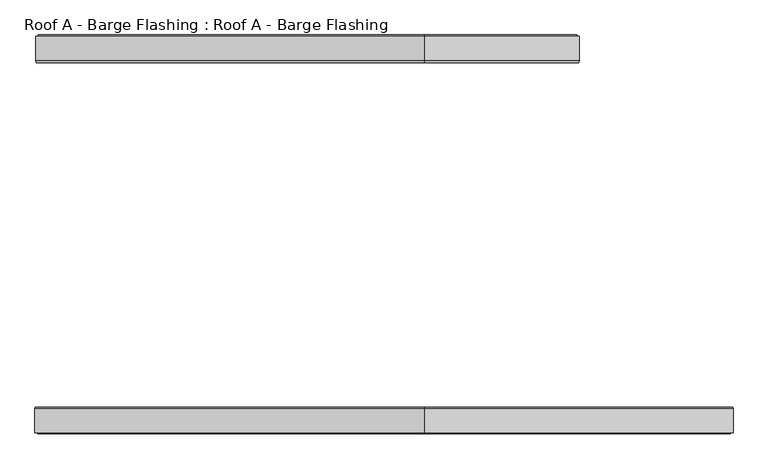
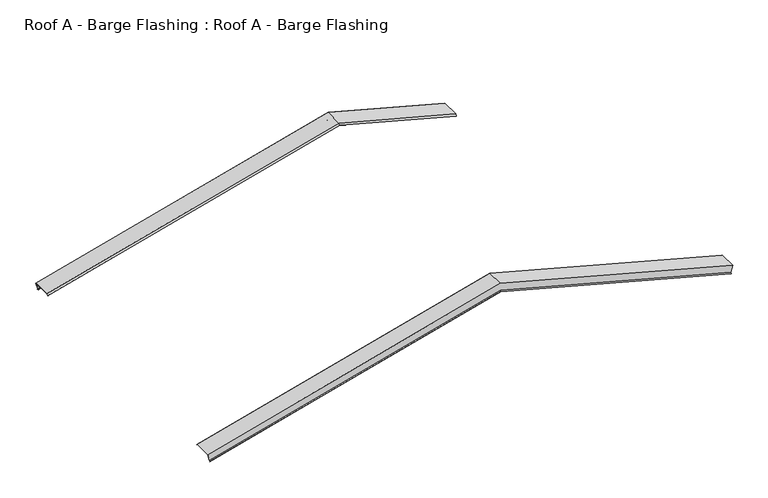
"""IFC4 building model written with IfcOpenShell, lengths in millimetres: proxy geometry, Roof A - Barge Flashing : Roof A - Barge Flashing."""

import ifcopenshell
import ifcopenshell.guid

model = None  # the IFC model being written
_history = None  # IfcOwnerHistory: only IFC2X3 demands one
_inside = {}  # id of a spatial element -> (the spatial element, [elements in it])
_under = {}  # id of a project, library or spatial element -> (it, [spatial elements below it])
_declared = {}  # id of a project -> (the project, [libraries it declares])
_typed = {}  # id of a type object -> (the type object, [elements of that type])
_made_of = {}  # id of a material, layer set ... -> (it, [elements and type objects made of it])


def new_model(schema):
    """Start an empty IFC model of exactly this schema.

    Asked for "IFC4X3", IfcOpenShell would pick the latest addendum, in which some entities
    have other attributes; the version numbers below select the first issue.
    IFC2X3 requires an IfcOwnerHistory on every rooted entity: one is made here for all.
    """
    global model, _history
    if schema == "IFC4X3":
        model = ifcopenshell.file(schema_version=(4, 3, 0, 0))
    else:
        model = ifcopenshell.file(schema=schema)
    _inside.clear()
    _under.clear()
    _declared.clear()
    _typed.clear()
    _made_of.clear()
    _history = None
    if model.schema == "IFC2X3":
        org = make("IfcOrganization", Name="unknown")
        user = make(
            "IfcPersonAndOrganization",
            ThePerson=make("IfcPerson", FamilyName="unknown"),
            TheOrganization=org,
        )
        app = make(
            "IfcApplication",
            ApplicationDeveloper=org,
            Version="unknown",
            ApplicationFullName="unknown",
            ApplicationIdentifier="unknown",
        )
        _history = make(
            "IfcOwnerHistory",
            OwningUser=user,
            OwningApplication=app,
            ChangeAction="ADDED",
            CreationDate=0,
        )
    return model


def make(cls, **values):
    """One entity of the class cls with the attributes given. An attribute that is None is left unset."""
    return model.create_entity(
        cls, **{name: value for name, value in values.items() if value is not None}
    )


def rooted(cls, **values):
    """An entity with a GlobalId (a new one), such as an element, a storey or a relation."""
    return make(cls, GlobalId=ifcopenshell.guid.new(), OwnerHistory=_history, **values)


def si_unit(unit_type, name, prefix=None):
    """IfcSIUnit, for example si_unit("LENGTHUNIT", "METRE", prefix="MILLI")."""
    return make("IfcSIUnit", UnitType=unit_type, Prefix=prefix, Name=name)


def assignment(units):
    """IfcUnitAssignment: the units of a project."""
    return None if units is None else make("IfcUnitAssignment", Units=units)


def point(xyz):
    """IfcCartesianPoint."""
    return None if xyz is None else make("IfcCartesianPoint", Coordinates=xyz)


def direction(xyz):
    """IfcDirection."""
    return None if xyz is None else make("IfcDirection", DirectionRatios=xyz)


def frame(location, z_axis=None, x_axis=None):
    """IfcAxis2Placement3D, a coordinate frame: its origin and axes. An axis left out is left unset."""
    return make(
        "IfcAxis2Placement3D",
        Location=point(location),
        Axis=direction(z_axis),
        RefDirection=direction(x_axis),
    )


def origin():
    """The frame at (0, 0, 0) with its axes left unset."""
    return frame((0.0, 0.0, 0.0))


def place(relative_to, where):
    """IfcLocalPlacement: puts the frame where relative to a parent placement (None: the world)."""
    return make(
        "IfcLocalPlacement", PlacementRelTo=relative_to, RelativePlacement=where
    )


def context(
    kind, dimensions, precision=None, world=None, true_north=None, identifier=None
):
    """IfcGeometricRepresentationContext, for example the 3D "Model" context."""
    return make(
        "IfcGeometricRepresentationContext",
        ContextIdentifier=identifier,
        ContextType=kind,
        CoordinateSpaceDimension=dimensions,
        Precision=precision,
        WorldCoordinateSystem=world,
        TrueNorth=true_north,
    )


def project(units=None, contexts=None):
    """IfcProject with its units and contexts."""
    return rooted(
        "IfcProject",
        Name="project",
        RepresentationContexts=contexts,
        UnitsInContext=assignment(units),
    )


def spatial(cls, under=None, at=None, **own):
    """A site, building, storey or space (cls), placed at a placement, below another one or the project."""
    s = rooted(cls, ObjectPlacement=at, **own)
    if under is not None:
        _under.setdefault(under.id(), (under, []))[1].append(s)
    return s


def faces_of(points, faces, orient=None, outer=None):
    """IfcFace entities. A face is a list of loops; a loop is a list of indices into points, from 0.

    orient and outer hold one flag for each loop. By default every Orientation is true, the
    first loop of a face is its IfcFaceOuterBound and the others are IfcFaceBound.
    """
    made = []
    for i, loops in enumerate(faces):
        bounds = []
        for j, loop in enumerate(loops):
            is_outer = j == 0 if outer is None else outer[i][j]
            bounds.append(
                make(
                    "IfcFaceOuterBound" if is_outer else "IfcFaceBound",
                    Bound=make("IfcPolyLoop", Polygon=[points[k] for k in loop]),
                    Orientation=True if orient is None else orient[i][j],
                )
            )
        made.append(make("IfcFace", Bounds=bounds))
    return made


def faceted_brep(points, faces, orient=None, outer=None, voids=None):
    """IfcFacetedBrep: a solid bounded by flat faces; with voids (closed shells), ...WithVoids."""
    shared = [point(p) for p in points]
    hull = make("IfcClosedShell", CfsFaces=faces_of(shared, faces, orient, outer))
    if voids is None:
        return make("IfcFacetedBrep", Outer=hull)
    return make(
        "IfcFacetedBrepWithVoids",
        Outer=hull,
        Voids=[
            make(cls, CfsFaces=faces_of(shared, fs, o, b)) for cls, fs, o, b in voids
        ],
    )


def shape(context_of_items, identifier, shape_type, items):
    """IfcShapeRepresentation: the items that make up one representation, for example the "Body"."""
    return make(
        "IfcShapeRepresentation",
        ContextOfItems=context_of_items,
        RepresentationIdentifier=identifier,
        RepresentationType=shape_type,
        Items=items,
    )


def source(mapping_origin, context_of_items, identifier, shape_type, items):
    """IfcRepresentationMap: a shape defined once, which mapped items show again and again."""
    return make(
        "IfcRepresentationMap",
        MappingOrigin=mapping_origin,
        MappedRepresentation=shape(context_of_items, identifier, shape_type, items),
    )


def transform(
    local_origin,
    x_axis=None,
    y_axis=None,
    z_axis=None,
    scale=None,
    scale2=None,
    scale3=None,
    uniform=True,
):
    """IfcCartesianTransformationOperator3D, or its non-uniform kind. x_axis, y_axis, z_axis: its Axis1, 2, 3."""
    if uniform:
        return make(
            "IfcCartesianTransformationOperator3D",
            Axis1=direction(x_axis),
            Axis2=direction(y_axis),
            LocalOrigin=point(local_origin),
            Scale=scale,
            Axis3=direction(z_axis),
        )
    return make(
        "IfcCartesianTransformationOperator3DnonUniform",
        Axis1=direction(x_axis),
        Axis2=direction(y_axis),
        LocalOrigin=point(local_origin),
        Scale=scale,
        Axis3=direction(z_axis),
        Scale2=scale2,
        Scale3=scale3,
    )


def mapped(mapping_source, mapping_target):
    """IfcMappedItem: shows the shape of a source again, moved by a transform."""
    return make(
        "IfcMappedItem", MappingSource=mapping_source, MappingTarget=mapping_target
    )


def made_of(thing, what):
    """Note that an element or type object is made of a material, layer set ...; save() writes the relation."""
    if what is not None:
        _made_of.setdefault(what.id(), (what, []))[1].append(thing)
    return thing


def element(
    cls,
    number,
    at=None,
    inside=None,
    cuts=None,
    type_object=None,
    material=None,
    context=None,
    identifier="Body",
    shape_type=None,
    held_by="IfcProductDefinitionShape",
    body=None,
    shapes=None,
    **own,
):
    """One element of the class cls, such as IfcWall. Its Tag is "e" and its number.

    at: its placement. inside: the storey or other place that contains it. cuts: it is an
    opening in that element (IfcRelVoidsElement). A single representation is given by context,
    identifier, shape_type and body (its items); several are given by shapes. held_by: the class
    of the entity that holds the representations. save() writes the other relations.
    """
    e = rooted(cls, Tag="e%d" % number, ObjectPlacement=at, **own)
    if body is not None:
        shapes = [shape(context, identifier, shape_type, body)]
    if shapes is not None:
        e.Representation = make(held_by, Representations=shapes)
    if inside is not None:
        _inside.setdefault(inside.id(), (inside, []))[1].append(e)
    if cuts is not None:
        rooted(
            "IfcRelVoidsElement", RelatingBuildingElement=cuts, RelatedOpeningElement=e
        )
    if type_object is not None:
        _typed.setdefault(type_object.id(), (type_object, []))[1].append(e)
    return made_of(e, material)


def aggregate(whole, parts):
    """IfcRelAggregates: a whole, such as a stair, and the parts it consists of."""
    return rooted("IfcRelAggregates", RelatingObject=whole, RelatedObjects=parts)


def save(model, path):
    """Write the relations noted so far, then the file.

    IfcRelAggregates (storeys below a building ...), IfcRelContainedInSpatialStructure (elements
    in a storey), IfcRelDefinesByType, IfcRelAssociatesMaterial and IfcRelDeclares: one each for
    every whole, place, type object, material and project.
    """
    for whole, parts in _under.values():
        aggregate(whole, parts)
    for where, things in _inside.values():
        rooted(
            "IfcRelContainedInSpatialStructure",
            RelatedElements=things,
            RelatingStructure=where,
        )
    for kind, things in _typed.values():
        rooted("IfcRelDefinesByType", RelatedObjects=things, RelatingType=kind)
    for what, things in _made_of.values():
        rooted("IfcRelAssociatesMaterial", RelatedObjects=things, RelatingMaterial=what)
    for by, libraries in _declared.values():
        rooted("IfcRelDeclares", RelatingContext=by, RelatedDefinitions=libraries)
    model.write(path)


def roof_a_barge_flashing_roof_a_barge_flashing_c636e875(model_context):
    return source(origin(), model_context, "Body", "Brep", [
        faceted_brep([(5490.8450047, 4601.1620222, 5751.4040697), (5490.8450047, 4917.8954809, 5751.4040697), (5460.2618558, 4917.8954809, 5637.2662041), (5456.7088081, 4931.623403, 5624.0060497), (5454.1466302, 4921.7239081, 5614.4438718), (5453.9636175, 4922.4310148, 5613.7608591), (5456.7088081, 4933.0376166, 5624.0060497), (5460.3690621, 4918.8954809, 5637.6663037), (5491.1038237, 4918.8954809, 5752.3699956), (5491.1038237, 4600.7478087, 5752.3699956), (5485.3026054, 4578.3336222, 5730.719554), (5485.1195927, 4579.0407289, 5730.0365413), (3500.0, 4579.0407289, 6261.947733), (3500.0, 4601.1620222, 6284.849381), (3500.0, 4578.3336222, 6262.6797838), (3500.0, 4600.7478087, 6285.8846572), (3500.0, 4918.8954809, 6285.8846572), (3500.0, 4918.8954809, 6162.9456108), (-1449.9094945, 4918.8954809, 4836.6213591), (-1480.6442561, 4918.8954809, 4951.325051), (3500.0, 4933.0376166, 6148.3045946), (3500.0, 4922.4310148, 6137.3238325), (3500.0, 4921.7239081, 6138.0558833), (3500.0, 4931.623403, 6148.3045946), (3500.0, 4917.8954809, 6162.5167853), (3500.0, 4917.8954809, 6284.849381), (-1480.385437, 4917.8954809, 4950.3591251), (-1449.8022881, 4917.8954809, 4836.2212595), (-1480.385437, 4601.1620222, 4950.3591251), (-1474.660025, 4579.0407289, 4928.9915967), (-1474.8430377, 4578.3336222, 4929.6746094), (-1480.6442561, 4600.7478087, 4951.325051), (-1446.2492404, 4933.0376166, 4822.9611051), (-1443.5040499, 4922.4310148, 4812.7159145), (-1443.6870626, 4921.7239081, 4813.3989272), (-1446.2492404, 4931.623403, 4822.9611051)], [[[0, 1, 2, 3, 4, 5, 6, 7, 8, 9, 10, 11]], [[0, 11, 12, 13]], [[11, 10, 14, 12]], [[10, 9, 15, 14]], [[9, 8, 16, 15]], [[8, 7, 17, 18, 19, 16]], [[7, 6, 20, 17]], [[6, 5, 21, 20]], [[5, 4, 22, 21]], [[4, 3, 23, 22]], [[3, 2, 24, 23]], [[2, 1, 25, 26, 27, 24]], [[1, 0, 13, 25]], [[28, 29, 30, 31, 19, 18, 32, 33, 34, 35, 27, 26]], [[12, 14, 30, 29]], [[15, 16, 19, 31]], [[17, 20, 32, 18]], [[20, 21, 33, 32]], [[21, 22, 34, 33]], [[22, 23, 35, 34]], [[23, 24, 27, 35]], [[25, 13, 28, 26]], [[13, 12, 29, 28]], [[14, 15, 31, 30]]]),
        faceted_brep([(7461.3336903, 137.3456317, 5223.4132177), (7455.5678378, 159.6231749, 5201.8947633), (7455.7508505, 160.3302817, 5202.577776), (7461.5925093, 137.7598452, 5224.3791436), (7461.5925093, -167.8878271, 5224.3791436), (7430.8577477, -167.8878271, 5109.6754517), (7427.1974937, -182.0299627, 5096.0151976), (7424.4523032, -171.423361, 5085.7700071), (7424.6353159, -170.7162542, 5086.4530198), (7427.1974937, -180.6157491, 5096.0151976), (7430.7505414, -166.8878271, 5109.2753521), (7461.3336903, -166.8878271, 5223.4132177), (3500.0, 137.3456317, 6284.849381), (3500.0, 159.6231749, 6261.7859711), (3500.0, 160.3302817, 6262.5180219), (3500.0, 137.7598452, 6285.8846572), (3500.0, -167.8878271, 6285.8846572), (-1490.3035143, -167.8878271, 4948.7368605), (-1459.5687527, -167.8878271, 4834.0331687), (3500.0, -167.8878271, 6162.9456108), (3500.0, -182.0299627, 6148.3045946), (3500.0, -171.423361, 6137.3238325), (3500.0, -170.7162542, 6138.0558833), (3500.0, -180.6157491, 6148.3045946), (3500.0, -166.8878271, 6162.5167853), (-1459.4615464, -166.8878271, 4833.6330691), (-1490.0446953, -166.8878271, 4947.7709347), (3500.0, -166.8878271, 6284.849381), (-1490.0446953, 137.3456317, 4947.7709347), (-1455.9084987, -180.6157491, 4820.3729146), (-1453.3463209, -170.7162542, 4810.8107368), (-1453.1633082, -171.423361, 4810.1277241), (-1455.9084987, -182.0299627, 4820.3729146), (-1490.3035143, 137.7598452, 4948.7368605), (-1484.4618555, 160.3302817, 4926.935493), (-1484.2788428, 159.6231749, 4926.2524803)], [[[0, 1, 2, 3, 4, 5, 6, 7, 8, 9, 10, 11]], [[1, 0, 12, 13]], [[2, 1, 13, 14]], [[3, 2, 14, 15]], [[4, 3, 15, 16]], [[5, 4, 16, 17, 18, 19]], [[6, 5, 19, 20]], [[7, 6, 20, 21]], [[8, 7, 21, 22]], [[9, 8, 22, 23]], [[10, 9, 23, 24]], [[11, 10, 24, 25, 26, 27]], [[0, 11, 27, 12]], [[28, 26, 25, 29, 30, 31, 32, 18, 17, 33, 34, 35]], [[14, 13, 35, 34]], [[16, 15, 33, 17]], [[20, 19, 18, 32]], [[21, 20, 32, 31]], [[22, 21, 31, 30]], [[23, 22, 30, 29]], [[24, 23, 29, 25]], [[12, 27, 26, 28]], [[13, 12, 28, 35]], [[15, 14, 34, 33]]]),
    ])


if __name__ == "__main__":
    model = new_model("IFC4")
    model_context = context("Model", 3, world=origin())
    ifc_project = project(units=[si_unit("LENGTHUNIT", "METRE", prefix="MILLI")], contexts=[model_context])
    site = spatial("IfcSite", under=ifc_project)
    building = spatial("IfcBuilding", under=site)
    placement = place(None, origin())
    roof_a_barge_flashing_roof_a_barge_flashing_shape = roof_a_barge_flashing_roof_a_barge_flashing_c636e875(model_context)
    element("IfcBuildingElementProxy", 1, Name="Roof A - Barge Flashing : Roof A - Barge Flashing", ObjectType="Roof A - Barge Flashing : Roof A - Barge Flashing", at=placement, inside=building, context=model_context, shape_type="MappedRepresentation", body=[
        mapped(roof_a_barge_flashing_roof_a_barge_flashing_shape, transform((0.0, 0.0, 0.0), x_axis=(1.0, 0.0, 0.0), y_axis=(0.0, 1.0, 0.0), z_axis=(0.0, 0.0, 1.0))),
    ])
    save(model, "model.ifc")
